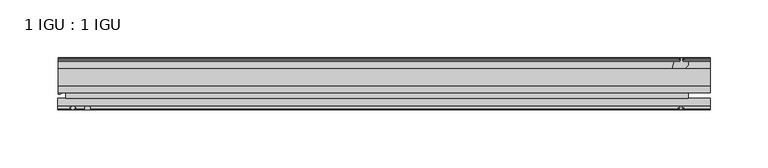
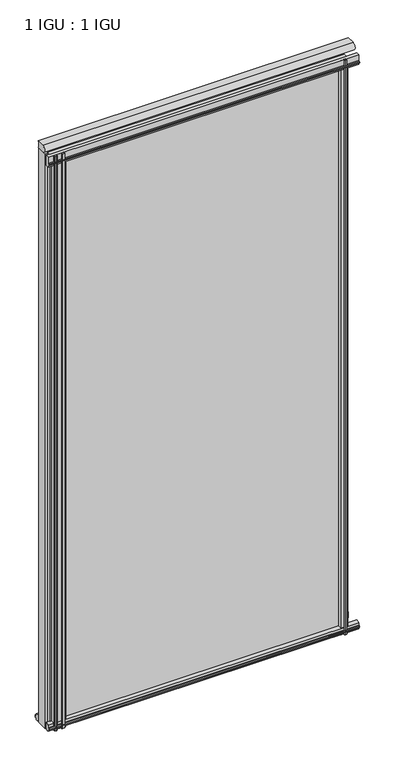
"""IFC4 building model written with IfcOpenShell, lengths in millimetres: plate geometry, 1 IGU : 1 IGU."""

from ifc_helpers import new_model, si_unit, point, frame, frame_2d, origin, place, context, project, spatial, polyline, circle_curve, ellipse_curve, trimmed, segment, composite_curve, outline, extrude, source, transform, mapped, element, save
from ifc_brep_helpers import plane_surface, cylinder_surface, revolved_surface, extruded_surface, advanced_brep


def plate_1_igu_1_igu_93682e1c(model_context):
    return source(origin(), model_context, "Body", "SolidModel", [
        extrude(outline(polyline([(-276.2250001, -38.6468937), (263.5250001, -38.6468937), (263.5250001, -44.9460938), (-276.2250001, -44.9460938), (-276.2250001, -38.6468937)])), frame((0.0, 0.0, -12.7), z_axis=(0.0, 0.0, 1.0), x_axis=(1.0, 0.0, 0.0)), (0.0, 0.0, 1.0), 1106.5637371),
        extrude(outline(polyline([(-276.2250001, -19.5460937), (263.5250001, -19.5460937), (263.5250001, -25.8960938), (-276.2250001, -25.8960938), (-276.2250001, -19.5460937)])), frame((0.0, 0.0, -12.7), z_axis=(0.0, 0.0, 1.0), x_axis=(1.0, 0.0, 0.0)), (0.0, 0.0, 1.0), 1106.5637371),
        extrude(outline(composite_curve([segment(trimmed(circle_curve(frame_2d((-9.2245666, 1100.1773164)), 12.1106873), [point((-19.5460937, 1106.5125215))], [point((-19.5460937, 1093.8421112))], True, "CARTESIAN"), True, "CONTINUOUS"), segment(polyline([(-19.5460937, 1093.8421112), (-33.8757421, 1093.8421112)]), True, "CONTINUOUS"), segment(trimmed(circle_curve(frame_2d((-33.8757421, 1100.1773164)), 6.3352052), [point((-33.8757421, 1093.8421112))], [point((-33.8757421, 1106.5125215))], False, "CARTESIAN"), True, "CONTINUOUS"), segment(polyline([(-33.8757421, 1106.5125215), (-19.5460937, 1106.5125215)]), True, "CONTINUOUS")], self_intersect=False)), frame((-282.5750001, 0.0, 0.0), z_axis=(1.0, 0.0, 0.0), x_axis=(0.0, 1.0, 0.0)), (0.0, 0.0, 1.0), 565.1500002),
        advanced_brep(
        [(-282.5750001, -21.1706006, -12.7), (-276.2263882, -19.5461438, -12.7), (-276.2263882, -25.8549351, -12.7), (-275.0510369, -32.21431, -12.7), (-282.5750001, -41.5384043, -12.7), (-282.5750001, -21.1706006, 1093.8637371), (-282.5750001, -41.5384043, 1093.8637371), (-275.0510369, -32.21431, 1093.8637371), (-276.2263882, -25.8549351, 1093.8637371), (-276.2263882, -19.5461438, 1093.8637371)],
        [
            (0, 1, circle_curve(frame((-282.5755695, -7.9505008, -12.7), z_axis=(0.0, 0.0, 1.0), x_axis=(1.0, 0.0, 0.0)), 13.2200998)),
            (1, 2),
            (2, 3, circle_curve(frame((-293.1134013, -32.2643264, -12.7), z_axis=(0.0, 0.0, -1.0), x_axis=(1.0, 0.0, 0.0)), 18.0624336)),
            (3, 4, ellipse_curve(frame((-282.5741672, -32.2460921, -12.7), z_axis=(0.0, 0.0, -1.0), x_axis=(0.0, -1.0, 0.0)), 9.2923123, 7.5231742)),
            (4, 0),
            (5, 6),
            (6, 7, ellipse_curve(frame((-282.5741672, -32.2460921, 1093.8637371), z_axis=(0.0, 0.0, 1.0), x_axis=(0.0, -1.0, 0.0)), 9.2923123, 7.5231742)),
            (7, 8, circle_curve(frame((-293.1134013, -32.2643264, 1093.8637371), z_axis=(0.0, 0.0, 1.0), x_axis=(1.0, 0.0, 0.0)), 18.0624336)),
            (8, 9),
            (9, 5, circle_curve(frame((-282.5755695, -7.9505008, 1093.8637371), z_axis=(0.0, 0.0, -1.0), x_axis=(1.0, 0.0, 0.0)), 13.2200998)),
            (0, 5),
            (9, 1),
            (8, 2),
            (7, 3),
            (6, 4),
        ],
        [
            plane_surface(frame((-282.5750001, -13.1960937, -12.7), z_axis=(0.0, 0.0, -1.0), x_axis=(0.0, 1.0, 0.0))),
            plane_surface(frame((-282.5750001, -13.1960937, 1093.8637371), z_axis=(0.0, 0.0, 1.0), x_axis=(0.0, 1.0, 0.0))),
            revolved_surface(polyline([(-269.35546969999996, -7.9505008, 1093.8637371), (-269.35546969999996, -7.9505008, -12.7)]), (-282.5755695, -7.9505008, -12.7), (0.0, 0.0, 1.0)),
            plane_surface(frame((-276.2263882, -19.5461438, -12.7), z_axis=(1.0, 0.0, 0.0), x_axis=(0.0, 0.0, 1.0))),
            cylinder_surface(frame((-293.1134013, -32.2643264, -12.7), z_axis=(0.0, 0.0, -1.0), x_axis=(1.0, 0.0, 0.0)), 18.0624336),
            extruded_surface(trimmed(ellipse_curve(frame((-282.5741672, -32.2460921, 1093.8637371), z_axis=(0.0, 0.0, -1.0), x_axis=(0.0, -1.0, 0.0)), 9.2923123, 7.5231742), [point((-275.0510369, -32.21431, 1093.8637371))], [point((-282.5750001, -41.5384043, 1093.8637371))], True, "CARTESIAN"), (0.0, 0.0, -1106.5637371), 1106.5637371),
            plane_surface(frame((-282.5750001, -41.5384043, -12.7), z_axis=(-1.0, 0.0, 0.0), x_axis=(0.0, 0.0, 1.0))),
        ],
        [
            (0, [[1, 2, 3, 4, 5]]),
            (1, [[6, 7, 8, 9, 10]]),
            (2, [[-1, 11, -10, 12]]),
            (3, [[-2, -12, -9, 13]]),
            (4, [[-3, -13, -8, 14]]),
            (5, [[-4, -14, -7, 15]]),
            (6, [[-5, -15, -6, -11]]),
        ],
    ),
        extrude(outline(polyline([(-44.9460937, 1.7177181), (-44.9460937, -9.1036578), (-48.3496937, -11.938), (-51.2960937, -11.938), (-51.2960937, -7.493), (-53.6762907, -7.112), (-53.2163575, -8.5275291), (-54.0175717, -8.5275291), (-54.7250937, -6.35), (-54.0175717, -4.1724709), (-53.2163575, -4.1724709), (-53.6762907, -5.588), (-51.2960937, -5.207), (-51.2960937, 0.0), (-44.9460937, 1.7177181)])), frame((-282.5750001, 0.0, 0.0), z_axis=(1.0, 0.0, 0.0), x_axis=(0.0, 1.0, 0.0)), (0.0, 0.0, 1.0), 565.1500002),
        extrude(outline(polyline([(-13.1960937, -12.4587), (-16.1424937, -12.4587), (-19.5460937, -9.6243578), (-19.5460937, 1.1970181), (-13.1960937, -0.5207), (-13.1960937, -5.7277), (-10.8158968, -6.1087), (-11.27583, -4.6931709), (-10.4746158, -4.6931709), (-9.7670937, -6.8707), (-10.4746158, -9.0482291), (-11.27583, -9.0482291), (-10.8158968, -7.6327), (-13.1960937, -8.0137), (-13.1960937, -12.4587)])), frame((-282.5750001, 0.0, 0.0), z_axis=(1.0, 0.0, 0.0), x_axis=(0.0, 1.0, 0.0)), (0.0, 0.0, 1.0), 565.1500002),
        extrude(outline(composite_curve([segment(polyline([(-44.9380025, 1074.7258348), (-51.2960937, 1074.7258348), (-51.2960937, 1079.5518348), (-54.1955564, 1079.5518348), (-54.8194621, 1080.5291272)]), True, "CONTINUOUS"), segment(trimmed(circle_curve(frame_2d((-53.9630937, 1081.0758348)), 1.016), [point((-54.8194621, 1080.5291272))], [point((-54.8194621, 1081.6225424))], False, "CARTESIAN"), True, "CONTINUOUS"), segment(polyline([(-54.8194621, 1081.6225424), (-54.1955564, 1082.5998348), (-51.2878033, 1082.5998348), (-51.2916866, 1093.7645183), (-44.9380025, 1093.7645183), (-44.9380025, 1074.7258348)]), True, "CONTINUOUS")], self_intersect=False)), frame((-283.0172939, 0.0, 0.0), z_axis=(1.0, 0.0, 0.0), x_axis=(0.0, 1.0, 0.0)), (0.0, 0.0, 1.0), 565.592294),
        extrude(outline(composite_curve([segment(trimmed(circle_curve(frame_2d((-241.8090688, -51.9750196)), 9.0414579), [point((-247.4960857, -44.9460938))], [point((-250.8250002, -51.2960938))], True, "CARTESIAN"), True, "CONTINUOUS"), segment(polyline([(-250.8250002, -51.2960938), (-255.0668002, -51.2960938)]), True, "CONTINUOUS"), segment(trimmed(circle_curve(frame_2d((-255.0668002, -51.7532938)), 0.4572), [point((-255.0668002, -51.2960938))], [point((-255.4056181, -52.0602698))], True, "CARTESIAN"), True, "CONTINUOUS"), segment(trimmed(circle_curve(frame_2d((-257.1750002, -53.663367)), 2.3876), [point((-255.4056181, -52.0602698))], [point((-255.1043572, -54.8520938))], False, "CARTESIAN"), True, "CONTINUOUS"), segment(polyline([(-255.1043572, -54.8520938), (-259.2456432, -54.8520938)]), True, "CONTINUOUS"), segment(trimmed(circle_curve(frame_2d((-257.1750002, -53.663367)), 2.3876), [point((-259.2456432, -54.8520938))], [point((-258.9443824, -52.0602698))], False, "CARTESIAN"), True, "CONTINUOUS"), segment(trimmed(circle_curve(frame_2d((-259.2832002, -51.7532938)), 0.4572), [point((-258.9443824, -52.0602698))], [point((-259.2832002, -51.2960938))], True, "CARTESIAN"), True, "CONTINUOUS"), segment(polyline([(-259.2832002, -51.2960938), (-268.3510002, -51.2960938), (-268.3510002, -52.9470938), (-267.2733695, -52.9470938)]), True, "CONTINUOUS"), segment(trimmed(circle_curve(frame_2d((-268.3510002, -52.9470938)), 1.0776307), [point((-267.2733695, -52.9470938))], [point((-267.5890002, -53.7090938))], False, "CARTESIAN"), True, "CONTINUOUS"), segment(polyline([(-267.5890002, -53.7090938), (-269.3282926, -54.8194621)]), True, "CONTINUOUS"), segment(trimmed(circle_curve(frame_2d((-269.8750002, -53.9630938)), 1.016), [point((-269.3282926, -54.8194621))], [point((-270.4217078, -54.8194621))], False, "CARTESIAN"), True, "CONTINUOUS"), segment(polyline([(-270.4217078, -54.8194621), (-272.1610002, -53.7090938)]), True, "CONTINUOUS"), segment(trimmed(circle_curve(frame_2d((-271.3990002, -52.9470938)), 1.0776307), [point((-272.1610002, -53.7090938))], [point((-272.476631, -52.9470938))], False, "CARTESIAN"), True, "CONTINUOUS"), segment(polyline([(-272.476631, -52.9470938), (-271.3990002, -52.9470938), (-271.3990002, -51.2960938), (-273.0500002, -51.2960938), (-273.0500002, -44.9460938), (-247.4960857, -44.9460938)]), True, "CONTINUOUS")], self_intersect=False)), frame((0.0, 0.0, -12.7), z_axis=(0.0, 0.0, 1.0), x_axis=(1.0, 0.0, 0.0)), (0.0, 0.0, 1.0), 1106.5637373),
        extrude(outline(polyline([(249.627982, -19.5460938), (251.3457001, -13.1960938), (256.5527001, -13.1960938), (256.9337001, -10.8158968), (255.518171, -11.27583), (255.518171, -10.4746158), (257.6957001, -9.7670938), (259.8732291, -10.4746158), (259.8732291, -11.27583), (258.4577001, -10.8158968), (258.8387001, -13.1960938), (263.2837001, -13.1960938), (263.2837001, -16.1424938), (260.4493579, -19.5460938), (249.627982, -19.5460938)])), frame((0.0, 0.0, -12.7), z_axis=(0.0, 0.0, 1.0), x_axis=(1.0, 0.0, 0.0)), (0.0, 0.0, 1.0), 1106.5637373),
        extrude(outline(polyline([(249.107282, -44.9460938), (259.9286579, -44.9460938), (262.7630001, -48.3496938), (262.7630001, -51.2960938), (258.3180001, -51.2960938), (257.9370001, -53.6762907), (259.3525291, -53.2163575), (259.3525291, -54.0175717), (257.1750001, -54.7250938), (254.997471, -54.0175717), (254.997471, -53.2163575), (256.4130001, -53.6762907), (256.0320001, -51.2960938), (250.8250001, -51.2960938), (249.107282, -44.9460938)])), frame((0.0, 0.0, -12.7), z_axis=(0.0, 0.0, 1.0), x_axis=(1.0, 0.0, 0.0)), (0.0, 0.0, 1.0), 1106.5637373),
    ])


if __name__ == "__main__":
    model = new_model("IFC4")
    model_context = context("Model", 3, world=origin())
    ifc_project = project(units=[si_unit("LENGTHUNIT", "METRE", prefix="MILLI")], contexts=[model_context])
    site = spatial("IfcSite", under=ifc_project)
    building = spatial("IfcBuilding", under=site)
    placement = place(None, origin())
    plate_1_igu_1_igu_shape = plate_1_igu_1_igu_93682e1c(model_context)
    element("IfcPlate", 1, ObjectType="1 IGU : 1 IGU", at=placement, inside=building, context=model_context, shape_type="MappedRepresentation", body=[
        mapped(plate_1_igu_1_igu_shape, transform((0.0, 0.0, 0.0), x_axis=(1.0, 0.0, 0.0), y_axis=(0.0, 1.0, 0.0), z_axis=(0.0, 0.0, 1.0))),
    ])
    save(model, "model.ifc")
